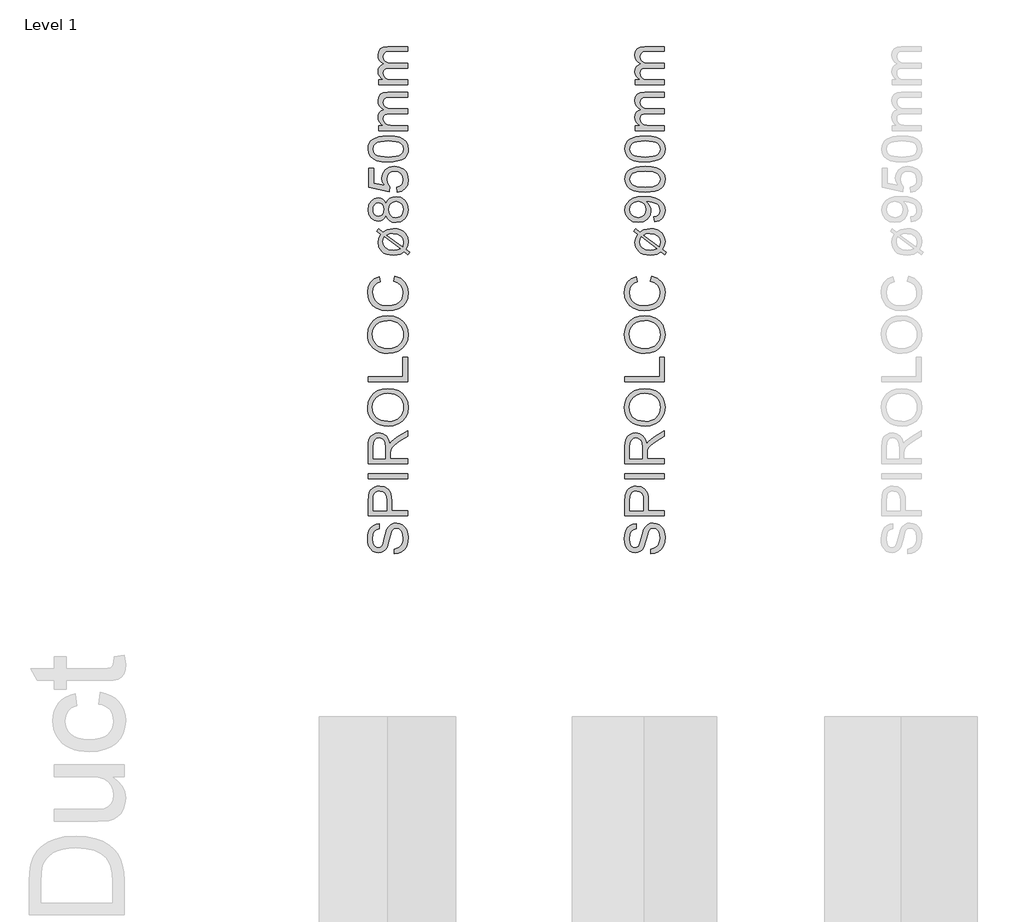
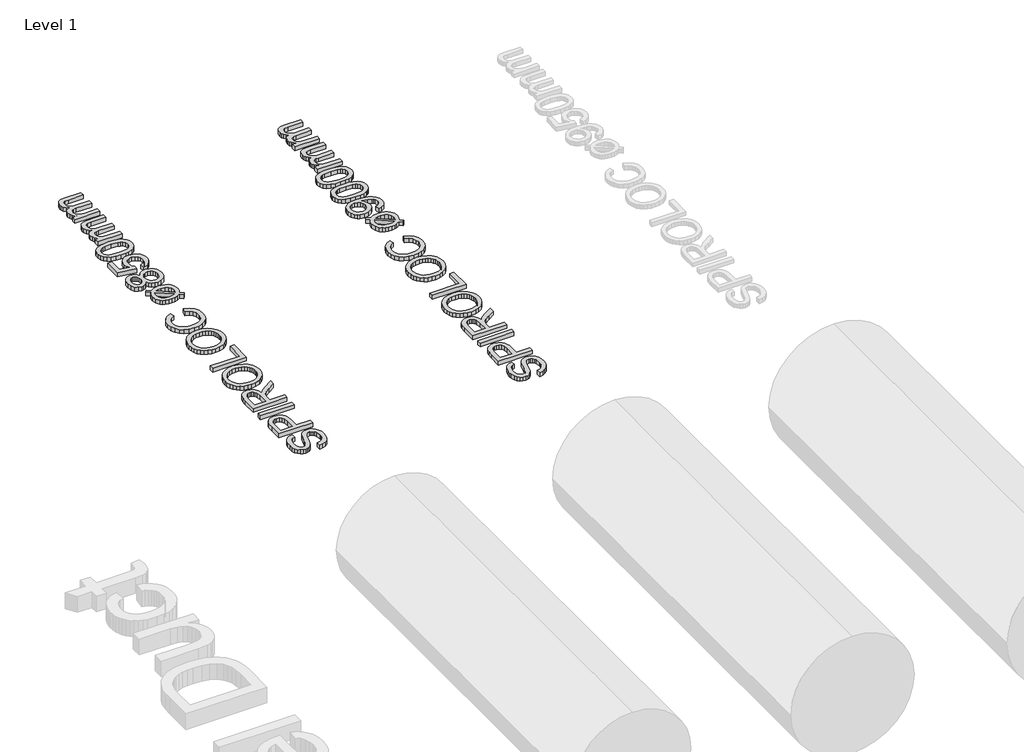
# One storey, part 12 of 19: 2 proxies.
"""IFC4 building model written with IfcOpenShell, lengths in millimetres."""

from ifc_helpers import new_model, si_unit, origin, origin_with_axes, place, context, project, spatial, polyline, outline, extrude, element, save

model = new_model("IFC4")

# Units and contexts
model_context = context("Model", 3, world=origin())
ifc_project = project(units=[si_unit("LENGTHUNIT", "METRE", prefix="MILLI")], contexts=[model_context])

# Site, building, storey
site = spatial("IfcSite", under=ifc_project)
building = spatial("IfcBuilding", under=site)
storey = spatial("IfcBuildingStorey", under=building, Name="Level 1", Elevation=0.0)

# Proxies
placement = place(None, origin())
element("IfcBuildingElementProxy", 1, Name="250mm", ObjectType="250mm", at=placement, inside=storey, context=model_context, shape_type="SweptSolid", body=[
    extrude(outline(polyline([(588.3043383, 11932.8312074), (588.3043383, 11963.6004382), (605.3791581, 11967.1310873), (619.1036172, 11973.5163036), (629.9960451, 11983.4772411), (638.574771, 11997.7350536), (644.1411773, 12015.1629382), (645.996646, 12034.6340921), (640.3776557, 12066.7855344), (633.7069826, 12078.9474935), (624.9329441, 12087.5487555), (614.8593263, 12092.6644406), (604.2899153, 12094.369669), (585.0891941, 12089.2614959), (577.4945427, 12081.479044), (571.1168383, 12068.3480344), (559.3680403, 12023.5463517), (544.1937614, 11975.3191882), (533.8421989, 11960.002181), (521.2971268, 11949.1473132), (506.8289778, 11942.6794647), (490.7081845, 11940.5235151), (472.6868504, 11943.190282), (455.8824633, 11951.1905824), (441.6396749, 11964.31408), (431.3031364, 11982.3504382), (425.0155763, 12004.0000776), (422.919723, 12027.963419), (425.1132326, 12053.9249574), (431.6937614, 12076.6413036), (442.5260932, 12095.3011594), (457.4750114, 12109.0932267), (475.6090258, 12117.822193), (495.996646, 12121.2927459), (495.996646, 12090.5235151), (477.637271, 12084.8744767), (464.3860691, 12073.0956305), (456.3632326, 12054.6911834), (453.6889537, 12029.1653421), (456.3331845, 12003.0385392), (464.2658768, 11985.1148613), (475.9395547, 11974.7482748), (489.8067422, 11971.2927459), (501.6306605, 11973.7416642), (511.1408768, 11981.088419), (519.6444826, 11998.4562074), (528.3283768, 12031.3288036), (543.7730883, 12085.775919), (554.9359489, 12103.3164839), (568.7129922, 12115.5535632), (584.9539778, 12122.7425656), (603.5086653, 12125.1388998), (622.4765138, 12122.3819887), (640.3175595, 12114.1112555), (655.6721268, 12100.6647411), (667.1805403, 12082.3804863), (674.3695427, 12060.392806), (676.7658768, 12035.8360151), (674.1817422, 12005.690282), (666.4293383, 11980.8780824), (653.4786172, 11961.1139599), (635.2995307, 11946.1124574), (613.154098, 11936.4820488), (588.3043383, 11932.8312074)])), origin_with_axes(), (0.0, 0.0, 1.0), 30.0),
    extrude(outline(polyline([(672.919723, 12171.2927459), (426.7658768, 12171.2927459), (426.7658768, 12262.5187074), (429.1096268, 12299.2975536), (433.489134, 12315.6962916), (440.6180403, 12329.1953901), (450.8193624, 12340.065282), (464.4161172, 12348.5763998), (480.4542783, 12354.0751978), (497.9798191, 12355.9081305), (526.9912374, 12350.9577099), (551.1649153, 12336.1064478), (560.6826436, 12324.2130434), (567.481021, 12308.3345127), (571.5600475, 12288.4708559), (572.919723, 12264.6220728), (572.919723, 12202.0619767), (672.919723, 12202.0619767), (672.919723, 12171.2927459)]), holes=[polyline([(542.1504922, 12202.0619767), (542.1504922, 12266.4249574), (539.325973, 12293.7086113), (530.8524153, 12311.7374574), (517.2556605, 12321.7885392), (499.0615499, 12325.1388998), (485.2394345, 12323.1632387), (473.5807807, 12317.2362555), (464.8067422, 12308.0941281), (459.638473, 12296.4730344), (457.5351076, 12265.7038036), (457.5351076, 12202.0619767), (542.1504922, 12202.0619767)])]), origin_with_axes(), (0.0, 0.0, 1.0), 30.0),
    extrude(outline(polyline([(672.919723, 12402.0619767), (426.7658768, 12402.0619767), (426.7658768, 12432.8312074), (672.919723, 12432.8312074), (672.919723, 12402.0619767)])), origin_with_axes(), (0.0, 0.0, 1.0), 30.0),
    extrude(outline(polyline([(672.919723, 12494.369669), (426.7658768, 12494.369669), (426.7658768, 12600.4393805), (428.4260331, 12628.9474935), (433.4065018, 12649.6881786), (442.6012133, 12664.8474334), (456.904098, 12676.6112555), (474.6399754, 12684.1608349), (494.1336653, 12686.6773613), (518.3824633, 12682.5081906), (538.4846268, 12670.0006786), (553.2232085, 12648.7792243), (561.3812614, 12618.4682267), (574.5423191, 12635.9562074), (606.2129922, 12660.8961113), (672.919723, 12701.9417844), (672.919723, 12666.1845728), (621.8980883, 12634.1533228), (588.1240499, 12611.0163036), (572.168521, 12594.760294), (566.309146, 12580.1268805), (565.2274153, 12562.2783228), (565.2274153, 12525.1388998), (672.919723, 12525.1388998), (672.919723, 12494.369669)]), holes=[polyline([(534.4581845, 12525.1388998), (534.4581845, 12594.0090921), (530.1012133, 12629.135294), (524.4371508, 12640.6887796), (516.1589057, 12649.0872171), (506.145384, 12654.2029022), (495.2754922, 12655.9081305), (480.2664778, 12652.6554262), (468.1721268, 12642.8973132), (460.1943624, 12626.1079502), (457.5351076, 12601.7614959), (457.5351076, 12525.1388998), (534.4581845, 12525.1388998)])]), origin_with_axes(), (0.0, 0.0, 1.0), 30.0),
    extrude(outline(polyline([(553.0879922, 12728.9850536), (524.2155463, 12731.0358349), (498.6559008, 12737.1881786), (476.4090559, 12747.4420849), (457.4750114, 12761.7975536), (442.3570727, 12779.3944587), (431.5585451, 12799.3726738), (425.0794285, 12821.732199), (422.919723, 12846.4730344), (426.9762133, 12878.759693), (439.1456845, 12907.7110151), (458.5717662, 12931.7494767), (484.3980883, 12949.2975536), (515.3776557, 12960.0247171), (550.263473, 12963.6004382), (585.6150355, 12959.8369166), (617.0302999, 12948.5463517), (642.9016941, 12930.3522411), (661.621646, 12905.8780824), (672.9798191, 12877.174657), (676.7658768, 12846.2927459), (672.5816821, 12813.510294), (660.029098, 12784.3937074), (640.2424393, 12760.4153421), (614.356021, 12743.0475536), (584.5708648, 12732.5006786), (553.0879922, 12728.9850536)]), holes=[polyline([(553.388473, 12759.7542844), (573.7873612, 12761.2923703), (591.8950835, 12765.9066281), (607.71164, 12773.5970578), (621.2370307, 12784.3636594), (632.0693624, 12797.4514749), (639.8067422, 12812.1055464), (644.4491701, 12828.3258739), (645.996646, 12846.1124574), (644.434146, 12864.2032778), (639.746646, 12880.6151618), (631.934146, 12895.3481095), (620.996646, 12908.4021209), (607.1857987, 12919.0898463), (590.7532566, 12926.7239358), (571.6990198, 12931.3043895), (550.0230883, 12932.8312074), (522.7845066, 12930.2170248), (499.2418383, 12922.3744767), (479.9885331, 12909.5063877), (465.6180403, 12891.8155824), (456.6712254, 12870.4739358), (453.6889537, 12846.6533228), (459.4356484, 12813.5553661), (476.6757326, 12785.4153421), (490.0903209, 12774.1886293), (507.3473071, 12766.1695488), (528.4466911, 12761.3581005), (553.388473, 12759.7542844)])]), origin_with_axes(), (0.0, 0.0, 1.0), 30.0),
    extrude(outline(polyline([(672.919723, 13005.9081305), (426.7658768, 13005.9081305), (426.7658768, 13036.6773613), (642.1504922, 13036.6773613), (642.1504922, 13159.7542844), (672.919723, 13159.7542844), (672.919723, 13005.9081305)])), origin_with_axes(), (0.0, 0.0, 1.0), 30.0),
    extrude(outline(polyline([(553.0879922, 13182.8312074), (524.2155463, 13184.8819887), (498.6559008, 13191.0343324), (476.4090559, 13201.2882387), (457.4750114, 13215.6437074), (442.3570727, 13233.2406125), (431.5585451, 13253.2188276), (425.0794285, 13275.5783529), (422.919723, 13300.3191882), (426.9762133, 13332.6058469), (439.1456845, 13361.557169), (458.5717662, 13385.5956305), (484.3980883, 13403.1437074), (515.3776557, 13413.8708709), (550.263473, 13417.4465921), (585.6150355, 13413.6830704), (617.0302999, 13402.3925055), (642.9016941, 13384.1983949), (661.621646, 13359.7242363), (672.9798191, 13331.0208108), (676.7658768, 13300.1388998), (672.5816821, 13267.3564478), (660.029098, 13238.2398613), (640.2424393, 13214.2614959), (614.356021, 13196.8937074), (584.5708648, 13186.3468324), (553.0879922, 13182.8312074)]), holes=[polyline([(553.388473, 13213.6004382), (573.7873612, 13215.1385242), (591.8950835, 13219.752782), (607.71164, 13227.4432117), (621.2370307, 13238.2098132), (632.0693624, 13251.2976287), (639.8067422, 13265.9517002), (644.4491701, 13282.1720278), (645.996646, 13299.9586113), (644.434146, 13318.0494316), (639.746646, 13334.4613156), (631.934146, 13349.1942633), (620.996646, 13362.2482748), (607.1857987, 13372.9360001), (590.7532566, 13380.5700897), (571.6990198, 13385.1505434), (550.0230883, 13386.6773613), (522.7845066, 13384.0631786), (499.2418383, 13376.2206305), (479.9885331, 13363.3525416), (465.6180403, 13345.6617363), (456.6712254, 13324.3200897), (453.6889537, 13300.4994767), (459.4356484, 13267.4015199), (476.6757326, 13239.2614959), (490.0903209, 13228.0347832), (507.3473071, 13220.0157026), (528.4466911, 13215.2042543), (553.388473, 13213.6004382)])]), origin_with_axes(), (0.0, 0.0, 1.0), 30.0),
    extrude(outline(polyline([(585.419723, 13632.8312074), (593.3524153, 13663.6004382), (629.2072831, 13649.4027219), (655.4016941, 13627.1220728), (671.4248311, 13597.8552459), (676.7658768, 13562.6989959), (672.7244105, 13527.0093925), (660.6000114, 13498.666544), (640.8133528, 13476.9417844), (613.7851076, 13461.1064478), (582.0092662, 13451.4384791), (547.9798191, 13448.2158228), (512.0873912, 13451.8591522), (481.0927999, 13462.7891401), (455.9801196, 13480.4348733), (437.7334249, 13504.2254382), (426.6231484, 13532.4405824), (422.919723, 13563.3600536), (427.7123912, 13597.096532), (442.090396, 13624.9886594), (465.1673191, 13646.1650416), (496.0567422, 13659.7542844), (503.388473, 13628.9850536), (480.9500715, 13618.3179863), (465.5579441, 13603.744669), (456.6562013, 13585.0848132), (453.6889537, 13562.1581305), (456.9792182, 13535.7308469), (466.8500114, 13514.0211113), (482.2646749, 13497.5472531), (502.1865499, 13486.8276017), (524.7075835, 13480.9456906), (547.919723, 13478.9850536), (576.3452037, 13481.3062675), (600.9245307, 13488.2699094), (620.7187013, 13500.1388998), (634.7887133, 13517.1761594), (643.1946629, 13537.6013397), (645.996646, 13559.6340921), (642.1805403, 13585.3176858), (630.732223, 13606.7194286), (611.7718864, 13622.877782), (585.419723, 13632.8312074)])), origin_with_axes(), (0.0, 0.0, 1.0), 30.0),
    extrude(outline(polyline([(505.8524153, 13924.8985151), (481.5735691, 13943.2879382), (492.7514537, 13957.9513998), (518.1721268, 13938.6605344), (544.434146, 13954.1653421), (583.6168383, 13959.7542844), (607.1595066, 13958.0077399), (627.3668383, 13952.7681065), (644.2388335, 13944.0353841), (657.7754922, 13931.8095728), (672.0182807, 13906.8245969), (676.7658768, 13877.182169), (672.7244105, 13852.4375776), (660.6000114, 13830.7278421), (684.4581845, 13812.6388998), (673.5206845, 13797.7350536), (650.7442422, 13815.0427459), (627.5471268, 13801.0403421), (607.7454441, 13796.0373373), (585.4798191, 13794.369669), (561.593476, 13795.8870969), (541.2565619, 13800.4393805), (524.4690769, 13808.0265199), (511.231021, 13818.6485151), (494.036009, 13845.0457507), (488.3043383, 13875.6797651), (492.5411172, 13900.619669), (505.8524153, 13924.8985151)]), holes=[polyline([(527.7274153, 13908.3119767), (521.2370307, 13892.9273613), (519.0735691, 13876.8215921), (523.2277158, 13856.6142603), (535.6901557, 13839.9826498), (556.3707446, 13828.8498373), (585.1793383, 13825.1388998), (607.5952037, 13827.2873373), (626.044723, 13833.7326498), (527.7274153, 13908.3119767)]), polyline([(543.1120307, 13919.7903421), (640.888473, 13845.6316882), (645.996646, 13875.1989959), (641.9326436, 13896.5331305), (629.7406364, 13913.7807267), (609.4356484, 13925.1839719), (581.0327037, 13928.9850536), (559.8187614, 13926.6413036), (543.1120307, 13919.7903421)])]), origin_with_axes(), (0.0, 0.0, 1.0), 30.0),
    extrude(outline(polyline([(537.3427999, 14043.0475536), (529.2298191, 14026.5736954), (518.232223, 14015.0126978), (504.575372, 14008.1842724), (488.4846268, 14005.9081305), (464.4311412, 14010.8660632), (444.5543383, 14025.7398613), (431.2129922, 14048.8618565), (426.7658768, 14078.5643805), (431.3181605, 14108.447193), (444.9750114, 14131.869669), (465.1673191, 14147.0138998), (489.325973, 14152.0619767), (504.8983888, 14149.8158829), (518.3223672, 14143.0776017), (529.2523552, 14131.7720127), (537.3427999, 14115.8239959), (547.1009129, 14134.7617964), (561.4714057, 14148.5463517), (579.7631725, 14156.9523012), (601.2851076, 14159.7542844), (630.7021749, 14154.1953901), (655.0110691, 14137.5187074), (664.5287975, 14125.5220127), (671.3271749, 14111.7675055), (676.7658768, 14078.9850536), (671.3046388, 14046.2026017), (664.4780914, 14032.4480945), (654.9209249, 14020.4513998), (630.3791581, 14003.7747171), (600.4437614, 13998.2158228), (578.0879922, 14001.1304863), (559.6985691, 14009.8744767), (545.9065018, 14023.9970728), (537.3427999, 14043.0475536)]), holes=[polyline([(489.3860691, 14036.6773613), (502.8175595, 14039.4042243), (513.544723, 14047.5848132), (520.575973, 14060.9787435), (522.919723, 14079.3456305), (520.590997, 14097.2843324), (513.6048191, 14110.4754382), (503.2382326, 14118.588419), (490.7682807, 14121.2927459), (477.8250715, 14118.4982748), (467.1204441, 14110.1148613), (459.9314417, 14096.7434671), (457.5351076, 14078.9850536), (459.8788576, 14061.1139599), (466.9101076, 14047.7651017), (477.216598, 14039.4492964), (489.3860691, 14036.6773613)]), polyline([(599.3620307, 14028.9850536), (622.529098, 14034.1232748), (632.4674994, 14041.237157), (639.8668383, 14052.3023613), (645.996646, 14079.2254382), (642.7739898, 14100.1689478), (633.106021, 14115.8840921), (618.4650956, 14125.7098132), (600.3235691, 14128.9850536), (581.8740499, 14125.6046449), (566.9101076, 14115.463419), (556.9942422, 14099.3876978), (553.6889537, 14078.2038036), (556.9491701, 14057.5532627), (566.7298191, 14041.9958709), (581.4083047, 14032.2377579), (599.3620307, 14028.9850536)])]), origin_with_axes(), (0.0, 0.0, 1.0), 30.0),
    extrude(outline(polyline([(607.5351076, 14186.6773613), (603.6889537, 14217.4465921), (622.161009, 14223.0956305), (635.3896749, 14232.9513998), (643.3449033, 14246.9688276), (645.996646, 14265.1028421), (642.3082446, 14287.1581305), (631.2430403, 14303.6845728), (614.0780763, 14314.0060873), (592.090396, 14317.4465921), (571.387271, 14314.2239358), (555.5519345, 14304.5559671), (545.5008528, 14288.3675656), (542.1504922, 14265.5836113), (547.4990499, 14238.5703901), (561.3812614, 14221.2927459), (557.5351076, 14190.5235151), (430.6120307, 14217.4465921), (430.6120307, 14336.6773613), (461.3812614, 14336.6773613), (461.3812614, 14242.3263998), (529.169723, 14229.1653421), (515.8283768, 14251.1455103), (511.3812614, 14274.1773613), (516.8950835, 14302.9258589), (533.4365499, 14326.791544), (558.6468864, 14342.8597531), (590.1673191, 14348.2158228), (620.9365499, 14343.3931065), (647.2586653, 14328.9249574), (660.1680703, 14316.1395007), (669.3890739, 14301.2206305), (674.9216761, 14284.1683469), (676.7658768, 14264.9826498), (672.0257927, 14234.7617964), (657.8055403, 14210.6857748), (635.7577638, 14194.1818685), (607.5351076, 14186.6773613)])), origin_with_axes(), (0.0, 0.0, 1.0), 30.0),
    extrude(outline(polyline([(551.825973, 14375.1388998), (512.4254321, 14377.4000175), (481.0026557, 14384.1833709), (457.0768744, 14395.4213517), (440.1673191, 14411.0463517), (430.1162374, 14431.1710512), (426.7658768, 14455.9081305), (428.7490499, 14474.8684671), (434.6985691, 14491.8456305), (444.3815619, 14506.0433469), (457.5651557, 14516.6653421), (493.9834249, 14531.088419), (519.1862494, 14535.2801257), (551.825973, 14536.6773613), (591.0011533, 14534.4387796), (622.3488095, 14527.7230344), (646.2971268, 14516.5526618), (663.2742903, 14500.9501978), (673.3929802, 14480.7804262), (676.7658768, 14455.9081305), (675.3010331, 14438.9610151), (670.9065018, 14423.9369767), (663.5822831, 14410.8360151), (653.3283768, 14399.6581305), (634.7924694, 14388.9309671), (611.6967662, 14381.2687074), (584.0412674, 14376.6713517), (551.825973, 14375.1388998)]), holes=[polyline([(551.7658768, 14405.9081305), (600.1658167, 14409.5138998), (616.7204291, 14414.0211113), (628.1781364, 14420.3312074), (641.5420186, 14436.4369767), (645.996646, 14455.9081305), (641.5269946, 14475.3792844), (628.1180403, 14491.4850536), (616.6415529, 14497.7951498), (600.0906965, 14502.3023613), (551.7658768, 14505.9081305), (504.4551797, 14502.4225536), (487.9550295, 14498.0655824), (476.2250114, 14491.9658228), (462.2075835, 14475.8901017), (457.5351076, 14455.5475536), (461.6516941, 14436.2867363), (474.0014537, 14420.8119767), (486.7718864, 14414.291544), (503.9894345, 14409.6340921), (551.7658768, 14405.9081305)])]), origin_with_axes(), (0.0, 0.0, 1.0), 30.0),
    extrude(outline(polyline([(672.919723, 14571.2927459), (492.1504922, 14571.2927459), (492.1504922, 14602.0619767), (521.8980883, 14602.0619767), (508.2337254, 14611.3167844), (497.529098, 14623.2158228), (490.6105283, 14637.353443), (488.3043383, 14653.3239959), (490.6556004, 14670.4363757), (497.7093864, 14684.1533228), (508.9999513, 14694.3997171), (524.0615499, 14701.1004382), (508.4177698, 14712.3158829), (497.2436412, 14725.1088517), (490.5391641, 14739.4793445), (488.3043383, 14755.4273613), (492.0227879, 14778.5568685), (503.1781364, 14795.6617363), (522.0708648, 14806.2311474), (549.0014537, 14809.7542844), (672.919723, 14809.7542844), (672.919723, 14778.9850536), (562.2226076, 14778.9850536), (536.5315018, 14776.1304863), (523.8812614, 14765.7939478), (519.0735691, 14748.2158228), (522.153497, 14731.5466522), (531.3932807, 14717.9574094), (547.4239297, 14708.9204502), (570.8764537, 14705.9081305), (672.919723, 14705.9081305), (672.919723, 14675.1388998), (558.7971268, 14675.1388998), (541.3992903, 14673.3585512), (528.9894345, 14668.0175055), (521.5525355, 14658.6199695), (519.0735691, 14644.6701498), (520.7262133, 14632.8161834), (525.684146, 14621.8937074), (533.8271749, 14612.8792844), (545.0351076, 14606.7494767), (581.7538576, 14602.0619767), (672.919723, 14602.0619767), (672.919723, 14571.2927459)])), origin_with_axes(), (0.0, 0.0, 1.0), 30.0),
    extrude(outline(polyline([(672.919723, 14855.9081305), (492.1504922, 14855.9081305), (492.1504922, 14886.6773613), (521.8980883, 14886.6773613), (508.2337254, 14895.932169), (497.529098, 14907.8312074), (490.6105283, 14921.9688276), (488.3043383, 14937.9393805), (490.6556004, 14955.0517603), (497.7093864, 14968.7687074), (508.9999513, 14979.0151017), (524.0615499, 14985.7158228), (508.4177698, 14996.9312675), (497.2436412, 15009.7242363), (490.5391641, 15024.0947291), (488.3043383, 15040.0427459), (492.0227879, 15063.1722531), (503.1781364, 15080.2771209), (522.0708648, 15090.846532), (549.0014537, 15094.369669), (672.919723, 15094.369669), (672.919723, 15063.6004382), (562.2226076, 15063.6004382), (536.5315018, 15060.7458709), (523.8812614, 15050.4093324), (519.0735691, 15032.8312074), (522.153497, 15016.1620368), (531.3932807, 15002.572794), (547.4239297, 14993.5358349), (570.8764537, 14990.5235151), (672.919723, 14990.5235151), (672.919723, 14959.7542844), (558.7971268, 14959.7542844), (541.3992903, 14957.9739358), (528.9894345, 14952.6328901), (521.5525355, 14943.2353541), (519.0735691, 14929.2855344), (520.7262133, 14917.431568), (525.684146, 14906.5090921), (533.8271749, 14897.494669), (545.0351076, 14891.3648613), (581.7538576, 14886.6773613), (672.919723, 14886.6773613), (672.919723, 14855.9081305)])), origin_with_axes(), (0.0, 0.0, 1.0), 30.0),
])
element("IfcBuildingElementProxy", 2, Name="250mm", ObjectType="250mm", at=placement, inside=storey, context=model_context, shape_type="SweptSolid", body=[
    extrude(outline(polyline([(2188.3043383, 11932.8312074), (2188.3043383, 11963.6004382), (2205.3791581, 11967.1310873), (2219.1036172, 11973.5163036), (2229.9960451, 11983.4772411), (2238.574771, 11997.7350536), (2244.1411773, 12015.1629382), (2245.996646, 12034.6340921), (2240.3776557, 12066.7855344), (2233.7069826, 12078.9474935), (2224.9329441, 12087.5487555), (2214.8593263, 12092.6644406), (2204.2899153, 12094.369669), (2185.0891941, 12089.2614959), (2177.4945427, 12081.479044), (2171.1168383, 12068.3480344), (2159.3680403, 12023.5463517), (2144.1937614, 11975.3191882), (2133.8421989, 11960.002181), (2121.2971268, 11949.1473132), (2106.8289778, 11942.6794647), (2090.7081845, 11940.5235151), (2072.6868504, 11943.190282), (2055.8824633, 11951.1905824), (2041.6396749, 11964.31408), (2031.3031364, 11982.3504382), (2025.0155763, 12004.0000776), (2022.919723, 12027.963419), (2025.1132326, 12053.9249574), (2031.6937614, 12076.6413036), (2042.5260932, 12095.3011594), (2057.4750114, 12109.0932267), (2075.6090258, 12117.822193), (2095.996646, 12121.2927459), (2095.996646, 12090.5235151), (2077.637271, 12084.8744767), (2064.3860691, 12073.0956305), (2056.3632326, 12054.6911834), (2053.6889537, 12029.1653421), (2056.3331845, 12003.0385392), (2064.2658768, 11985.1148613), (2075.9395547, 11974.7482748), (2089.8067422, 11971.2927459), (2101.6306605, 11973.7416642), (2111.1408768, 11981.088419), (2119.6444826, 11998.4562074), (2128.3283768, 12031.3288036), (2143.7730883, 12085.775919), (2154.9359489, 12103.3164839), (2168.7129922, 12115.5535632), (2184.9539778, 12122.7425656), (2203.5086653, 12125.1388998), (2222.4765138, 12122.3819887), (2240.3175595, 12114.1112555), (2255.6721268, 12100.6647411), (2267.1805403, 12082.3804863), (2274.3695427, 12060.392806), (2276.7658768, 12035.8360151), (2274.1817422, 12005.690282), (2266.4293383, 11980.8780824), (2253.4786172, 11961.1139599), (2235.2995307, 11946.1124574), (2213.154098, 11936.4820488), (2188.3043383, 11932.8312074)])), origin_with_axes(), (0.0, 0.0, 1.0), 30.0),
    extrude(outline(polyline([(2272.919723, 12171.2927459), (2026.7658768, 12171.2927459), (2026.7658768, 12262.5187074), (2029.1096268, 12299.2975536), (2033.489134, 12315.6962916), (2040.6180403, 12329.1953901), (2050.8193624, 12340.065282), (2064.4161172, 12348.5763998), (2080.4542783, 12354.0751978), (2097.9798191, 12355.9081305), (2126.9912374, 12350.9577099), (2151.1649153, 12336.1064478), (2160.6826436, 12324.2130434), (2167.481021, 12308.3345127), (2171.5600475, 12288.4708559), (2172.919723, 12264.6220728), (2172.919723, 12202.0619767), (2272.919723, 12202.0619767), (2272.919723, 12171.2927459)]), holes=[polyline([(2142.1504922, 12202.0619767), (2142.1504922, 12266.4249574), (2139.325973, 12293.7086113), (2130.8524153, 12311.7374574), (2117.2556605, 12321.7885392), (2099.0615499, 12325.1388998), (2085.2394345, 12323.1632387), (2073.5807807, 12317.2362555), (2064.8067422, 12308.0941281), (2059.638473, 12296.4730344), (2057.5351076, 12265.7038036), (2057.5351076, 12202.0619767), (2142.1504922, 12202.0619767)])]), origin_with_axes(), (0.0, 0.0, 1.0), 30.0),
    extrude(outline(polyline([(2272.919723, 12402.0619767), (2026.7658768, 12402.0619767), (2026.7658768, 12432.8312074), (2272.919723, 12432.8312074), (2272.919723, 12402.0619767)])), origin_with_axes(), (0.0, 0.0, 1.0), 30.0),
    extrude(outline(polyline([(2272.919723, 12494.369669), (2026.7658768, 12494.369669), (2026.7658768, 12600.4393805), (2028.4260331, 12628.9474935), (2033.4065018, 12649.6881786), (2042.6012133, 12664.8474334), (2056.904098, 12676.6112555), (2074.6399754, 12684.1608349), (2094.1336653, 12686.6773613), (2118.3824633, 12682.5081906), (2138.4846268, 12670.0006786), (2153.2232085, 12648.7792243), (2161.3812614, 12618.4682267), (2174.5423191, 12635.9562074), (2206.2129922, 12660.8961113), (2272.919723, 12701.9417844), (2272.919723, 12666.1845728), (2221.8980883, 12634.1533228), (2188.1240499, 12611.0163036), (2172.168521, 12594.760294), (2166.309146, 12580.1268805), (2165.2274153, 12562.2783228), (2165.2274153, 12525.1388998), (2272.919723, 12525.1388998), (2272.919723, 12494.369669)]), holes=[polyline([(2134.4581845, 12525.1388998), (2134.4581845, 12594.0090921), (2130.1012133, 12629.135294), (2124.4371508, 12640.6887796), (2116.1589057, 12649.0872171), (2106.145384, 12654.2029022), (2095.2754922, 12655.9081305), (2080.2664778, 12652.6554262), (2068.1721268, 12642.8973132), (2060.1943624, 12626.1079502), (2057.5351076, 12601.7614959), (2057.5351076, 12525.1388998), (2134.4581845, 12525.1388998)])]), origin_with_axes(), (0.0, 0.0, 1.0), 30.0),
    extrude(outline(polyline([(2153.0879922, 12728.9850536), (2124.2155463, 12731.0358349), (2098.6559008, 12737.1881786), (2076.4090559, 12747.4420849), (2057.4750114, 12761.7975536), (2042.3570727, 12779.3944587), (2031.5585451, 12799.3726738), (2025.0794285, 12821.732199), (2022.919723, 12846.4730344), (2026.9762133, 12878.759693), (2039.1456845, 12907.7110151), (2058.5717662, 12931.7494767), (2084.3980883, 12949.2975536), (2115.3776557, 12960.0247171), (2150.263473, 12963.6004382), (2185.6150355, 12959.8369166), (2217.0302999, 12948.5463517), (2242.9016941, 12930.3522411), (2261.621646, 12905.8780824), (2272.9798191, 12877.174657), (2276.7658768, 12846.2927459), (2272.5816821, 12813.510294), (2260.029098, 12784.3937074), (2240.2424393, 12760.4153421), (2214.356021, 12743.0475536), (2184.5708648, 12732.5006786), (2153.0879922, 12728.9850536)]), holes=[polyline([(2153.388473, 12759.7542844), (2173.7873612, 12761.2923703), (2191.8950835, 12765.9066281), (2207.71164, 12773.5970578), (2221.2370307, 12784.3636594), (2232.0693624, 12797.4514749), (2239.8067422, 12812.1055464), (2244.4491701, 12828.3258739), (2245.996646, 12846.1124574), (2244.434146, 12864.2032778), (2239.746646, 12880.6151618), (2231.934146, 12895.3481095), (2220.996646, 12908.4021209), (2207.1857987, 12919.0898463), (2190.7532566, 12926.7239358), (2171.6990198, 12931.3043895), (2150.0230883, 12932.8312074), (2122.7845066, 12930.2170248), (2099.2418383, 12922.3744767), (2079.9885331, 12909.5063877), (2065.6180403, 12891.8155824), (2056.6712254, 12870.4739358), (2053.6889537, 12846.6533228), (2059.4356484, 12813.5553661), (2076.6757326, 12785.4153421), (2090.0903209, 12774.1886293), (2107.3473071, 12766.1695488), (2128.4466911, 12761.3581005), (2153.388473, 12759.7542844)])]), origin_with_axes(), (0.0, 0.0, 1.0), 30.0),
    extrude(outline(polyline([(2272.919723, 13005.9081305), (2026.7658768, 13005.9081305), (2026.7658768, 13036.6773613), (2242.1504922, 13036.6773613), (2242.1504922, 13159.7542844), (2272.919723, 13159.7542844), (2272.919723, 13005.9081305)])), origin_with_axes(), (0.0, 0.0, 1.0), 30.0),
    extrude(outline(polyline([(2153.0879922, 13182.8312074), (2124.2155463, 13184.8819887), (2098.6559008, 13191.0343324), (2076.4090559, 13201.2882387), (2057.4750114, 13215.6437074), (2042.3570727, 13233.2406125), (2031.5585451, 13253.2188276), (2025.0794285, 13275.5783529), (2022.919723, 13300.3191882), (2026.9762133, 13332.6058469), (2039.1456845, 13361.557169), (2058.5717662, 13385.5956305), (2084.3980883, 13403.1437074), (2115.3776557, 13413.8708709), (2150.263473, 13417.4465921), (2185.6150355, 13413.6830704), (2217.0302999, 13402.3925055), (2242.9016941, 13384.1983949), (2261.621646, 13359.7242363), (2272.9798191, 13331.0208108), (2276.7658768, 13300.1388998), (2272.5816821, 13267.3564478), (2260.029098, 13238.2398613), (2240.2424393, 13214.2614959), (2214.356021, 13196.8937074), (2184.5708648, 13186.3468324), (2153.0879922, 13182.8312074)]), holes=[polyline([(2153.388473, 13213.6004382), (2173.7873612, 13215.1385242), (2191.8950835, 13219.752782), (2207.71164, 13227.4432117), (2221.2370307, 13238.2098132), (2232.0693624, 13251.2976287), (2239.8067422, 13265.9517002), (2244.4491701, 13282.1720278), (2245.996646, 13299.9586113), (2244.434146, 13318.0494316), (2239.746646, 13334.4613156), (2231.934146, 13349.1942633), (2220.996646, 13362.2482748), (2207.1857987, 13372.9360001), (2190.7532566, 13380.5700897), (2171.6990198, 13385.1505434), (2150.0230883, 13386.6773613), (2122.7845066, 13384.0631786), (2099.2418383, 13376.2206305), (2079.9885331, 13363.3525416), (2065.6180403, 13345.6617363), (2056.6712254, 13324.3200897), (2053.6889537, 13300.4994767), (2059.4356484, 13267.4015199), (2076.6757326, 13239.2614959), (2090.0903209, 13228.0347832), (2107.3473071, 13220.0157026), (2128.4466911, 13215.2042543), (2153.388473, 13213.6004382)])]), origin_with_axes(), (0.0, 0.0, 1.0), 30.0),
    extrude(outline(polyline([(2185.419723, 13632.8312074), (2193.3524153, 13663.6004382), (2229.2072831, 13649.4027219), (2255.4016941, 13627.1220728), (2271.4248311, 13597.8552459), (2276.7658768, 13562.6989959), (2272.7244105, 13527.0093925), (2260.6000114, 13498.666544), (2240.8133528, 13476.9417844), (2213.7851076, 13461.1064478), (2182.0092662, 13451.4384791), (2147.9798191, 13448.2158228), (2112.0873912, 13451.8591522), (2081.0927999, 13462.7891401), (2055.9801196, 13480.4348733), (2037.7334249, 13504.2254382), (2026.6231484, 13532.4405824), (2022.919723, 13563.3600536), (2027.7123912, 13597.096532), (2042.090396, 13624.9886594), (2065.1673191, 13646.1650416), (2096.0567422, 13659.7542844), (2103.388473, 13628.9850536), (2080.9500715, 13618.3179863), (2065.5579441, 13603.744669), (2056.6562013, 13585.0848132), (2053.6889537, 13562.1581305), (2056.9792182, 13535.7308469), (2066.8500114, 13514.0211113), (2082.2646749, 13497.5472531), (2102.1865499, 13486.8276017), (2124.7075835, 13480.9456906), (2147.919723, 13478.9850536), (2176.3452037, 13481.3062675), (2200.9245307, 13488.2699094), (2220.7187013, 13500.1388998), (2234.7887133, 13517.1761594), (2243.1946629, 13537.6013397), (2245.996646, 13559.6340921), (2242.1805403, 13585.3176858), (2230.732223, 13606.7194286), (2211.7718864, 13622.877782), (2185.419723, 13632.8312074)])), origin_with_axes(), (0.0, 0.0, 1.0), 30.0),
    extrude(outline(polyline([(2105.8524153, 13924.8985151), (2081.5735691, 13943.2879382), (2092.7514537, 13957.9513998), (2118.1721268, 13938.6605344), (2144.434146, 13954.1653421), (2183.6168383, 13959.7542844), (2207.1595066, 13958.0077399), (2227.3668383, 13952.7681065), (2244.2388335, 13944.0353841), (2257.7754922, 13931.8095728), (2272.0182807, 13906.8245969), (2276.7658768, 13877.182169), (2272.7244105, 13852.4375776), (2260.6000114, 13830.7278421), (2284.4581845, 13812.6388998), (2273.5206845, 13797.7350536), (2250.7442422, 13815.0427459), (2227.5471268, 13801.0403421), (2207.7454441, 13796.0373373), (2185.4798191, 13794.369669), (2161.593476, 13795.8870969), (2141.2565619, 13800.4393805), (2124.4690769, 13808.0265199), (2111.231021, 13818.6485151), (2094.036009, 13845.0457507), (2088.3043383, 13875.6797651), (2092.5411172, 13900.619669), (2105.8524153, 13924.8985151)]), holes=[polyline([(2127.7274153, 13908.3119767), (2121.2370307, 13892.9273613), (2119.0735691, 13876.8215921), (2123.2277158, 13856.6142603), (2135.6901557, 13839.9826498), (2156.3707446, 13828.8498373), (2185.1793383, 13825.1388998), (2207.5952037, 13827.2873373), (2226.044723, 13833.7326498), (2127.7274153, 13908.3119767)]), polyline([(2143.1120307, 13919.7903421), (2240.888473, 13845.6316882), (2245.996646, 13875.1989959), (2241.9326436, 13896.5331305), (2229.7406364, 13913.7807267), (2209.4356484, 13925.1839719), (2181.0327037, 13928.9850536), (2159.8187614, 13926.6413036), (2143.1120307, 13919.7903421)])]), origin_with_axes(), (0.0, 0.0, 1.0), 30.0),
    extrude(outline(polyline([(2211.3812614, 14002.0619767), (2207.5351076, 14032.8312074), (2225.0005523, 14038.0896209), (2236.8920787, 14046.6533228), (2243.7205042, 14058.3119767), (2245.996646, 14072.8552459), (2240.137271, 14097.7651017), (2233.2938215, 14107.6208709), (2224.482223, 14114.6521209), (2197.7394345, 14124.7182267), (2162.0423191, 14129.1653421), (2156.0327037, 14128.9850536), (2169.043521, 14118.3254983), (2179.3500114, 14104.3756786), (2186.0657566, 14088.142205), (2188.3043383, 14070.6316882), (2182.8355883, 14042.5742964), (2166.4293383, 14019.2194286), (2141.0837855, 14003.4667243), (2108.7971268, 13998.2158228), (2075.4437614, 14003.7221329), (2061.4714057, 14010.6050206), (2049.3019345, 14020.2410632), (2032.3998912, 14045.0532627), (2026.7658768, 14075.4393805), (2029.981021, 14098.3885993), (2039.6264537, 14119.2795248), (2055.2214057, 14136.7524815), (2076.2851076, 14149.447794), (2105.4016941, 14157.1776618), (2145.1552999, 14159.7542844), (2187.3052398, 14157.1851738), (2219.8848672, 14149.4778421), (2244.3665379, 14136.6998974), (2262.2226076, 14118.9189478), (2273.1300595, 14096.9012195), (2276.7658768, 14071.4129382), (2272.4765138, 14045.1058469), (2259.6084249, 14024.1172651), (2238.9729081, 14009.4387796), (2211.3812614, 14002.0619767)]), holes=[polyline([(2108.075973, 14128.9850536), (2087.2226076, 14125.6647411), (2071.1769345, 14115.7038036), (2060.9455643, 14100.244068), (2057.5351076, 14080.4273613), (2061.208485, 14059.8744767), (2072.2286172, 14043.4081305), (2089.0931004, 14032.5908228), (2110.2995307, 14028.9850536), (2129.3124513, 14032.3955103), (2144.404098, 14042.6268805), (2154.2523552, 14058.6875776), (2157.5351076, 14079.5860151), (2154.2523552, 14099.2449695), (2144.404098, 14115.072794), (2128.7565619, 14125.5069887), (2108.075973, 14128.9850536)])]), origin_with_axes(), (0.0, 0.0, 1.0), 30.0),
    extrude(outline(polyline([(2151.825973, 14186.6773613), (2112.4254321, 14188.9384791), (2081.0026557, 14195.7218324), (2057.0768744, 14206.9598132), (2040.1673191, 14222.5848132), (2030.1162374, 14242.7095127), (2026.7658768, 14267.4465921), (2028.7490499, 14286.4069286), (2034.6985691, 14303.3840921), (2044.3815619, 14317.5818084), (2057.5651557, 14328.2038036), (2093.9834249, 14342.6268805), (2119.1862494, 14346.8185873), (2151.825973, 14348.2158228), (2191.0011533, 14345.9772411), (2222.3488095, 14339.2614959), (2246.2971268, 14328.0911233), (2263.2742903, 14312.4886594), (2273.3929802, 14292.3188877), (2276.7658768, 14267.4465921), (2275.3010331, 14250.4994767), (2270.9065018, 14235.4754382), (2263.5822831, 14222.3744767), (2253.3283768, 14211.1965921), (2234.7924694, 14200.4694286), (2211.6967662, 14192.807169), (2184.0412674, 14188.2098132), (2151.825973, 14186.6773613)]), holes=[polyline([(2151.7658768, 14217.4465921), (2200.1658167, 14221.0523613), (2216.7204291, 14225.5595728), (2228.1781364, 14231.869669), (2241.5420186, 14247.9754382), (2245.996646, 14267.4465921), (2241.5269946, 14286.9177459), (2228.1180403, 14303.0235151), (2216.6415529, 14309.3336113), (2200.0906965, 14313.8408228), (2151.7658768, 14317.4465921), (2104.4551797, 14313.9610151), (2087.9550295, 14309.604044), (2076.2250114, 14303.5042844), (2062.2075835, 14287.4285632), (2057.5351076, 14267.0860151), (2061.6516941, 14247.8251978), (2074.0014537, 14232.3504382), (2086.7718864, 14225.8300055), (2103.9894345, 14221.1725536), (2151.7658768, 14217.4465921)])]), origin_with_axes(), (0.0, 0.0, 1.0), 30.0),
    extrude(outline(polyline([(2151.825973, 14375.1388998), (2112.4254321, 14377.4000175), (2081.0026557, 14384.1833709), (2057.0768744, 14395.4213517), (2040.1673191, 14411.0463517), (2030.1162374, 14431.1710512), (2026.7658768, 14455.9081305), (2028.7490499, 14474.8684671), (2034.6985691, 14491.8456305), (2044.3815619, 14506.0433469), (2057.5651557, 14516.6653421), (2093.9834249, 14531.088419), (2119.1862494, 14535.2801257), (2151.825973, 14536.6773613), (2191.0011533, 14534.4387796), (2222.3488095, 14527.7230344), (2246.2971268, 14516.5526618), (2263.2742903, 14500.9501978), (2273.3929802, 14480.7804262), (2276.7658768, 14455.9081305), (2275.3010331, 14438.9610151), (2270.9065018, 14423.9369767), (2263.5822831, 14410.8360151), (2253.3283768, 14399.6581305), (2234.7924694, 14388.9309671), (2211.6967662, 14381.2687074), (2184.0412674, 14376.6713517), (2151.825973, 14375.1388998)]), holes=[polyline([(2151.7658768, 14405.9081305), (2200.1658167, 14409.5138998), (2216.7204291, 14414.0211113), (2228.1781364, 14420.3312074), (2241.5420186, 14436.4369767), (2245.996646, 14455.9081305), (2241.5269946, 14475.3792844), (2228.1180403, 14491.4850536), (2216.6415529, 14497.7951498), (2200.0906965, 14502.3023613), (2151.7658768, 14505.9081305), (2104.4551797, 14502.4225536), (2087.9550295, 14498.0655824), (2076.2250114, 14491.9658228), (2062.2075835, 14475.8901017), (2057.5351076, 14455.5475536), (2061.6516941, 14436.2867363), (2074.0014537, 14420.8119767), (2086.7718864, 14414.291544), (2103.9894345, 14409.6340921), (2151.7658768, 14405.9081305)])]), origin_with_axes(), (0.0, 0.0, 1.0), 30.0),
    extrude(outline(polyline([(2272.919723, 14571.2927459), (2092.1504922, 14571.2927459), (2092.1504922, 14602.0619767), (2121.8980883, 14602.0619767), (2108.2337254, 14611.3167844), (2097.529098, 14623.2158228), (2090.6105283, 14637.353443), (2088.3043383, 14653.3239959), (2090.6556004, 14670.4363757), (2097.7093864, 14684.1533228), (2108.9999513, 14694.3997171), (2124.0615499, 14701.1004382), (2108.4177698, 14712.3158829), (2097.2436412, 14725.1088517), (2090.5391641, 14739.4793445), (2088.3043383, 14755.4273613), (2092.0227879, 14778.5568685), (2103.1781364, 14795.6617363), (2122.0708648, 14806.2311474), (2149.0014537, 14809.7542844), (2272.919723, 14809.7542844), (2272.919723, 14778.9850536), (2162.2226076, 14778.9850536), (2136.5315018, 14776.1304863), (2123.8812614, 14765.7939478), (2119.0735691, 14748.2158228), (2122.153497, 14731.5466522), (2131.3932807, 14717.9574094), (2147.4239297, 14708.9204502), (2170.8764537, 14705.9081305), (2272.919723, 14705.9081305), (2272.919723, 14675.1388998), (2158.7971268, 14675.1388998), (2141.3992903, 14673.3585512), (2128.9894345, 14668.0175055), (2121.5525355, 14658.6199695), (2119.0735691, 14644.6701498), (2120.7262133, 14632.8161834), (2125.684146, 14621.8937074), (2133.8271749, 14612.8792844), (2145.0351076, 14606.7494767), (2181.7538576, 14602.0619767), (2272.919723, 14602.0619767), (2272.919723, 14571.2927459)])), origin_with_axes(), (0.0, 0.0, 1.0), 30.0),
    extrude(outline(polyline([(2272.919723, 14855.9081305), (2092.1504922, 14855.9081305), (2092.1504922, 14886.6773613), (2121.8980883, 14886.6773613), (2108.2337254, 14895.932169), (2097.529098, 14907.8312074), (2090.6105283, 14921.9688276), (2088.3043383, 14937.9393805), (2090.6556004, 14955.0517603), (2097.7093864, 14968.7687074), (2108.9999513, 14979.0151017), (2124.0615499, 14985.7158228), (2108.4177698, 14996.9312675), (2097.2436412, 15009.7242363), (2090.5391641, 15024.0947291), (2088.3043383, 15040.0427459), (2092.0227879, 15063.1722531), (2103.1781364, 15080.2771209), (2122.0708648, 15090.846532), (2149.0014537, 15094.369669), (2272.919723, 15094.369669), (2272.919723, 15063.6004382), (2162.2226076, 15063.6004382), (2136.5315018, 15060.7458709), (2123.8812614, 15050.4093324), (2119.0735691, 15032.8312074), (2122.153497, 15016.1620368), (2131.3932807, 15002.572794), (2147.4239297, 14993.5358349), (2170.8764537, 14990.5235151), (2272.919723, 14990.5235151), (2272.919723, 14959.7542844), (2158.7971268, 14959.7542844), (2141.3992903, 14957.9739358), (2128.9894345, 14952.6328901), (2121.5525355, 14943.2353541), (2119.0735691, 14929.2855344), (2120.7262133, 14917.431568), (2125.684146, 14906.5090921), (2133.8271749, 14897.494669), (2145.0351076, 14891.3648613), (2181.7538576, 14886.6773613), (2272.919723, 14886.6773613), (2272.919723, 14855.9081305)])), origin_with_axes(), (0.0, 0.0, 1.0), 30.0),
])

save(model, "model.ifc")
